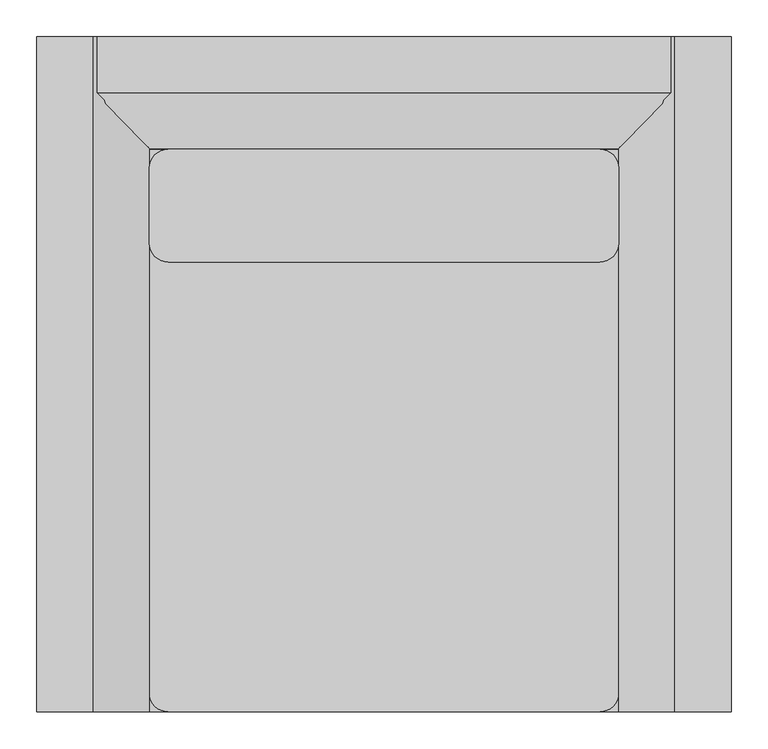
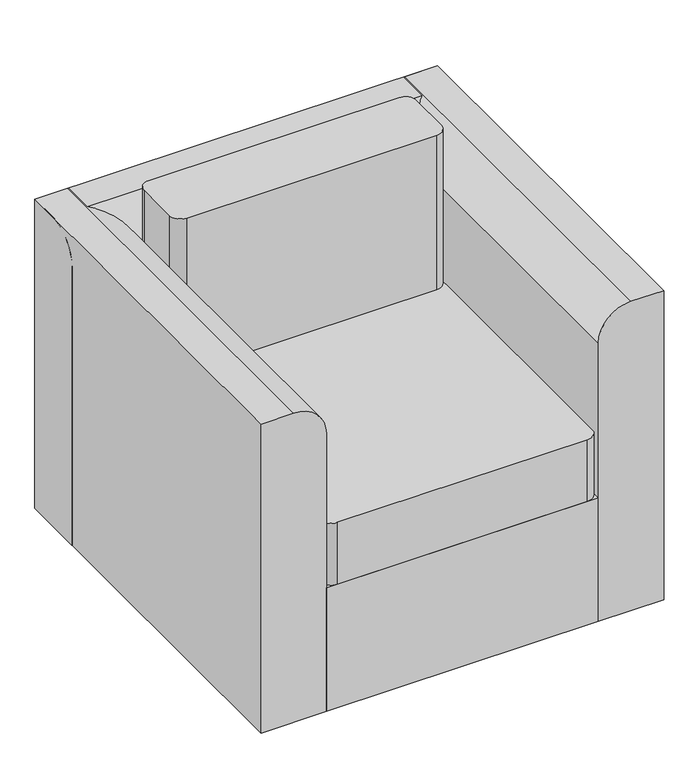
"""IFC4 building model written with IfcOpenShell, lengths in millimetres: furniture geometry."""

from ifc_helpers import new_model, si_unit, point, frame, frame_2d, origin, origin_with_axes, place, context, project, spatial, polyline, circle_curve, trimmed, segment, composite_curve, outline, extrude, source, transform, mapped, element, save


def furniture_0305d5e5(model_context):
    return source(origin(), model_context, "Body", "SweptSolid", [
        extrude(outline(composite_curve([segment(polyline([(762.0, -469.9), (0.0, -469.9), (0.0, -317.5), (685.8, -317.5)]), True, "CONTINUOUS"), segment(trimmed(circle_curve(frame_2d((685.8, -393.7)), 76.2), [point((685.8, -317.5))], [point((762.0, -393.7))], False, "CARTESIAN"), True, "CONTINUOUS"), segment(polyline([(762.0, -393.7), (762.0, -469.9)]), True, "CONTINUOUS")], self_intersect=False)), frame((0.0, 0.0, 0.0), z_axis=(0.0, 1.0, 0.0), x_axis=(0.0, 0.0, 1.0)), (0.0, 0.0, 1.0), 914.4),
        extrude(outline(composite_curve([segment(polyline([(292.1, 609.6), (-292.1, 609.6)]), True, "CONTINUOUS"), segment(trimmed(circle_curve(frame_2d((-292.1, 635.0)), 25.4), [point((-292.1, 609.6))], [point((-317.5, 635.0))], False, "CARTESIAN"), True, "CONTINUOUS"), segment(polyline([(-317.5, 635.0), (-317.5, 736.6)]), True, "CONTINUOUS"), segment(trimmed(circle_curve(frame_2d((-292.1, 736.6)), 25.4), [point((-317.5, 736.6))], [point((-292.1, 762.0))], False, "CARTESIAN"), True, "CONTINUOUS"), segment(polyline([(-292.1, 762.0), (292.1, 762.0)]), True, "CONTINUOUS"), segment(trimmed(circle_curve(frame_2d((292.1, 736.6)), 25.4), [point((292.1, 762.0))], [point((317.5, 736.6))], False, "CARTESIAN"), True, "CONTINUOUS"), segment(polyline([(317.5, 736.6), (317.5, 635.0)]), True, "CONTINUOUS"), segment(trimmed(circle_curve(frame_2d((292.1, 635.0)), 25.4), [point((317.5, 635.0))], [point((292.1, 609.6))], False, "CARTESIAN"), True, "CONTINUOUS")], self_intersect=False)), frame((0.0, 0.0, 457.2), z_axis=(0.0, 0.0, 1.0), x_axis=(1.0, 0.0, 0.0)), (0.0, 0.0, 1.0), 381.0),
        extrude(outline(composite_curve([segment(polyline([(292.1, 0.0), (-292.1, 0.0)]), True, "CONTINUOUS"), segment(trimmed(circle_curve(frame_2d((-292.1, 25.4)), 25.4), [point((-292.1, 0.0))], [point((-317.5, 25.4))], False, "CARTESIAN"), True, "CONTINUOUS"), segment(polyline([(-317.5, 25.4), (-317.5, 736.6)]), True, "CONTINUOUS"), segment(trimmed(circle_curve(frame_2d((-292.1, 736.6)), 25.4), [point((-317.5, 736.6))], [point((-292.1, 762.0))], False, "CARTESIAN"), True, "CONTINUOUS"), segment(polyline([(-292.1, 762.0), (292.1, 762.0)]), True, "CONTINUOUS"), segment(trimmed(circle_curve(frame_2d((292.1, 736.6)), 25.4), [point((292.1, 762.0))], [point((317.5, 736.6))], False, "CARTESIAN"), True, "CONTINUOUS"), segment(polyline([(317.5, 736.6), (317.5, 25.4)]), True, "CONTINUOUS"), segment(trimmed(circle_curve(frame_2d((292.1, 25.4)), 25.4), [point((317.5, 25.4))], [point((292.1, 0.0))], False, "CARTESIAN"), True, "CONTINUOUS")], self_intersect=False)), frame((0.0, 0.0, 304.8), z_axis=(0.0, 0.0, 1.0), x_axis=(1.0, 0.0, 0.0)), (0.0, 0.0, 1.0), 152.4),
        extrude(outline(composite_curve([segment(polyline([(762.0, 469.9), (762.0, 393.7)]), True, "CONTINUOUS"), segment(trimmed(circle_curve(frame_2d((685.8, 393.7)), 76.2), [point((762.0, 393.7))], [point((685.8, 317.5))], False, "CARTESIAN"), True, "CONTINUOUS"), segment(polyline([(685.8, 317.5), (0.0, 317.5), (0.0, 469.9), (762.0, 469.9)]), True, "CONTINUOUS")], self_intersect=False)), frame((0.0, 0.0, 0.0), z_axis=(0.0, 1.0, 0.0), x_axis=(0.0, 0.0, 1.0)), (0.0, 0.0, 1.0), 914.4),
        extrude(outline(polyline([(317.5, 0.0), (-317.5, 0.0), (-317.5, 762.0), (317.5, 762.0), (317.5, 0.0)])), origin_with_axes(), (0.0, 0.0, 1.0), 304.8),
        extrude(outline(composite_curve([segment(polyline([(762.8736306, 0.0), (762.8736306, 685.8)]), True, "CONTINUOUS"), segment(trimmed(circle_curve(frame_2d((839.0736306, 685.8)), 76.2), [point((762.8736306, 685.8))], [point((839.0736306, 762.0))], False, "CARTESIAN"), True, "CONTINUOUS"), segment(polyline([(839.0736306, 762.0), (914.4, 762.0), (914.4, 0.0), (762.8736306, 0.0)]), True, "CONTINUOUS")], self_intersect=False)), frame((-469.9, 0.0, 0.0), z_axis=(1.0, 0.0, 0.0), x_axis=(0.0, 1.0, 0.0)), (0.0, 0.0, 1.0), 939.8),
    ])


if __name__ == "__main__":
    model = new_model("IFC4")
    model_context = context("Model", 3, world=origin())
    ifc_project = project(units=[si_unit("LENGTHUNIT", "METRE", prefix="MILLI")], contexts=[model_context])
    site = spatial("IfcSite", under=ifc_project)
    building = spatial("IfcBuilding", under=site)
    placement = place(None, origin())
    furniture_shape = furniture_0305d5e5(model_context)
    element("IfcFurniture", 1, at=placement, inside=building, context=model_context, shape_type="MappedRepresentation", body=[
        mapped(furniture_shape, transform((0.0, 0.0, 0.0), x_axis=(1.0, 0.0, 0.0), y_axis=(0.0, 1.0, 0.0), z_axis=(0.0, 0.0, 1.0))),
    ])
    save(model, "model.ifc")
